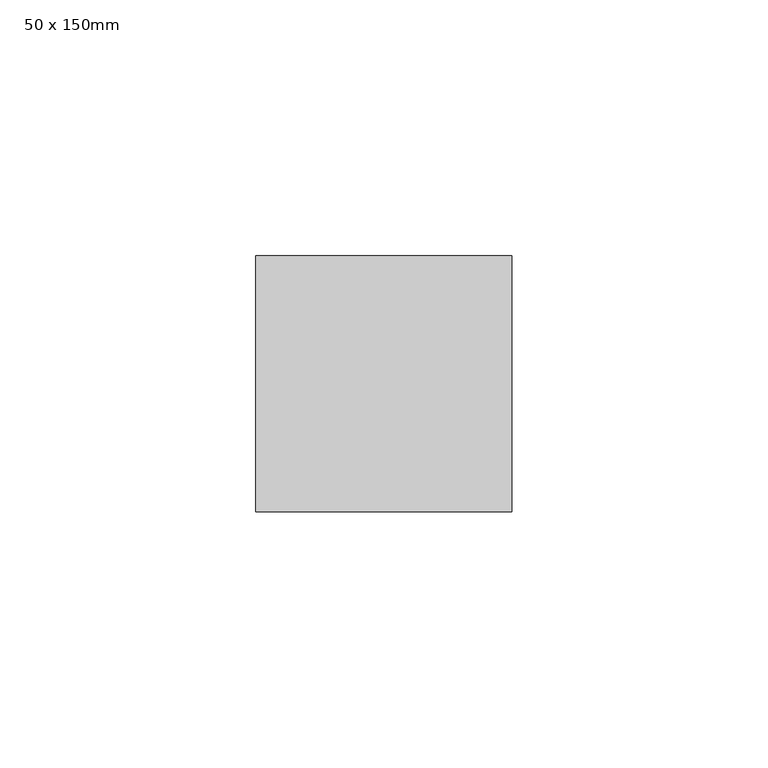
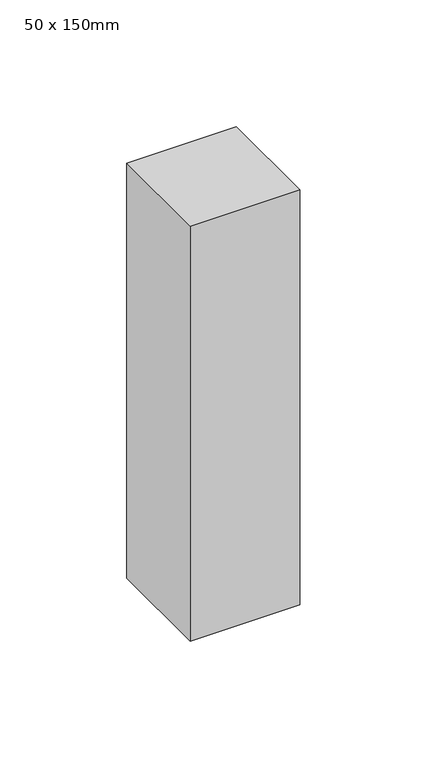
"""IFC4 building model written with IfcOpenShell, lengths in millimetres: member geometry, 50 x 150mm."""

import ifcopenshell
import ifcopenshell.guid

model = None  # the IFC model being written
_history = None  # IfcOwnerHistory: only IFC2X3 demands one
_inside = {}  # id of a spatial element -> (the spatial element, [elements in it])
_under = {}  # id of a project, library or spatial element -> (it, [spatial elements below it])
_declared = {}  # id of a project -> (the project, [libraries it declares])
_typed = {}  # id of a type object -> (the type object, [elements of that type])
_made_of = {}  # id of a material, layer set ... -> (it, [elements and type objects made of it])


def new_model(schema):
    """Start an empty IFC model of exactly this schema.

    Asked for "IFC4X3", IfcOpenShell would pick the latest addendum, in which some entities
    have other attributes; the version numbers below select the first issue.
    IFC2X3 requires an IfcOwnerHistory on every rooted entity: one is made here for all.
    """
    global model, _history
    if schema == "IFC4X3":
        model = ifcopenshell.file(schema_version=(4, 3, 0, 0))
    else:
        model = ifcopenshell.file(schema=schema)
    _inside.clear()
    _under.clear()
    _declared.clear()
    _typed.clear()
    _made_of.clear()
    _history = None
    if model.schema == "IFC2X3":
        org = make("IfcOrganization", Name="unknown")
        user = make(
            "IfcPersonAndOrganization",
            ThePerson=make("IfcPerson", FamilyName="unknown"),
            TheOrganization=org,
        )
        app = make(
            "IfcApplication",
            ApplicationDeveloper=org,
            Version="unknown",
            ApplicationFullName="unknown",
            ApplicationIdentifier="unknown",
        )
        _history = make(
            "IfcOwnerHistory",
            OwningUser=user,
            OwningApplication=app,
            ChangeAction="ADDED",
            CreationDate=0,
        )
    return model


def make(cls, **values):
    """One entity of the class cls with the attributes given. An attribute that is None is left unset."""
    return model.create_entity(
        cls, **{name: value for name, value in values.items() if value is not None}
    )


def rooted(cls, **values):
    """An entity with a GlobalId (a new one), such as an element, a storey or a relation."""
    return make(cls, GlobalId=ifcopenshell.guid.new(), OwnerHistory=_history, **values)


def si_unit(unit_type, name, prefix=None):
    """IfcSIUnit, for example si_unit("LENGTHUNIT", "METRE", prefix="MILLI")."""
    return make("IfcSIUnit", UnitType=unit_type, Prefix=prefix, Name=name)


def assignment(units):
    """IfcUnitAssignment: the units of a project."""
    return None if units is None else make("IfcUnitAssignment", Units=units)


def point(xyz):
    """IfcCartesianPoint."""
    return None if xyz is None else make("IfcCartesianPoint", Coordinates=xyz)


def direction(xyz):
    """IfcDirection."""
    return None if xyz is None else make("IfcDirection", DirectionRatios=xyz)


def frame(location, z_axis=None, x_axis=None):
    """IfcAxis2Placement3D, a coordinate frame: its origin and axes. An axis left out is left unset."""
    return make(
        "IfcAxis2Placement3D",
        Location=point(location),
        Axis=direction(z_axis),
        RefDirection=direction(x_axis),
    )


def origin():
    """The frame at (0, 0, 0) with its axes left unset."""
    return frame((0.0, 0.0, 0.0))


def place(relative_to, where):
    """IfcLocalPlacement: puts the frame where relative to a parent placement (None: the world)."""
    return make(
        "IfcLocalPlacement", PlacementRelTo=relative_to, RelativePlacement=where
    )


def context(
    kind, dimensions, precision=None, world=None, true_north=None, identifier=None
):
    """IfcGeometricRepresentationContext, for example the 3D "Model" context."""
    return make(
        "IfcGeometricRepresentationContext",
        ContextIdentifier=identifier,
        ContextType=kind,
        CoordinateSpaceDimension=dimensions,
        Precision=precision,
        WorldCoordinateSystem=world,
        TrueNorth=true_north,
    )


def project(units=None, contexts=None):
    """IfcProject with its units and contexts."""
    return rooted(
        "IfcProject",
        Name="project",
        RepresentationContexts=contexts,
        UnitsInContext=assignment(units),
    )


def spatial(cls, under=None, at=None, **own):
    """A site, building, storey or space (cls), placed at a placement, below another one or the project."""
    s = rooted(cls, ObjectPlacement=at, **own)
    if under is not None:
        _under.setdefault(under.id(), (under, []))[1].append(s)
    return s


def polyline(points):
    """IfcPolyline through the points."""
    return make("IfcPolyline", Points=[point(p) for p in points])


def outline(outer, holes=None, kind="AREA"):
    """IfcArbitraryClosedProfileDef: a profile drawn as a closed curve; with holes, ...WithVoids."""
    if holes is None:
        return make("IfcArbitraryClosedProfileDef", ProfileType=kind, OuterCurve=outer)
    return make(
        "IfcArbitraryProfileDefWithVoids",
        ProfileType=kind,
        OuterCurve=outer,
        InnerCurves=holes,
    )


def extrude(swept, where, along, depth):
    """IfcExtrudedAreaSolid: the profile swept, set in the frame where, extruded along a direction by depth."""
    return make(
        "IfcExtrudedAreaSolid",
        SweptArea=swept,
        Position=where,
        ExtrudedDirection=direction(along),
        Depth=depth,
    )


def shape(context_of_items, identifier, shape_type, items):
    """IfcShapeRepresentation: the items that make up one representation, for example the "Body"."""
    return make(
        "IfcShapeRepresentation",
        ContextOfItems=context_of_items,
        RepresentationIdentifier=identifier,
        RepresentationType=shape_type,
        Items=items,
    )


def source(mapping_origin, context_of_items, identifier, shape_type, items):
    """IfcRepresentationMap: a shape defined once, which mapped items show again and again."""
    return make(
        "IfcRepresentationMap",
        MappingOrigin=mapping_origin,
        MappedRepresentation=shape(context_of_items, identifier, shape_type, items),
    )


def transform(
    local_origin,
    x_axis=None,
    y_axis=None,
    z_axis=None,
    scale=None,
    scale2=None,
    scale3=None,
    uniform=True,
):
    """IfcCartesianTransformationOperator3D, or its non-uniform kind. x_axis, y_axis, z_axis: its Axis1, 2, 3."""
    if uniform:
        return make(
            "IfcCartesianTransformationOperator3D",
            Axis1=direction(x_axis),
            Axis2=direction(y_axis),
            LocalOrigin=point(local_origin),
            Scale=scale,
            Axis3=direction(z_axis),
        )
    return make(
        "IfcCartesianTransformationOperator3DnonUniform",
        Axis1=direction(x_axis),
        Axis2=direction(y_axis),
        LocalOrigin=point(local_origin),
        Scale=scale,
        Axis3=direction(z_axis),
        Scale2=scale2,
        Scale3=scale3,
    )


def mapped(mapping_source, mapping_target):
    """IfcMappedItem: shows the shape of a source again, moved by a transform."""
    return make(
        "IfcMappedItem", MappingSource=mapping_source, MappingTarget=mapping_target
    )


def made_of(thing, what):
    """Note that an element or type object is made of a material, layer set ...; save() writes the relation."""
    if what is not None:
        _made_of.setdefault(what.id(), (what, []))[1].append(thing)
    return thing


def element(
    cls,
    number,
    at=None,
    inside=None,
    cuts=None,
    type_object=None,
    material=None,
    context=None,
    identifier="Body",
    shape_type=None,
    held_by="IfcProductDefinitionShape",
    body=None,
    shapes=None,
    **own,
):
    """One element of the class cls, such as IfcWall. Its Tag is "e" and its number.

    at: its placement. inside: the storey or other place that contains it. cuts: it is an
    opening in that element (IfcRelVoidsElement). A single representation is given by context,
    identifier, shape_type and body (its items); several are given by shapes. held_by: the class
    of the entity that holds the representations. save() writes the other relations.
    """
    e = rooted(cls, Tag="e%d" % number, ObjectPlacement=at, **own)
    if body is not None:
        shapes = [shape(context, identifier, shape_type, body)]
    if shapes is not None:
        e.Representation = make(held_by, Representations=shapes)
    if inside is not None:
        _inside.setdefault(inside.id(), (inside, []))[1].append(e)
    if cuts is not None:
        rooted(
            "IfcRelVoidsElement", RelatingBuildingElement=cuts, RelatedOpeningElement=e
        )
    if type_object is not None:
        _typed.setdefault(type_object.id(), (type_object, []))[1].append(e)
    return made_of(e, material)


def aggregate(whole, parts):
    """IfcRelAggregates: a whole, such as a stair, and the parts it consists of."""
    return rooted("IfcRelAggregates", RelatingObject=whole, RelatedObjects=parts)


def save(model, path):
    """Write the relations noted so far, then the file.

    IfcRelAggregates (storeys below a building ...), IfcRelContainedInSpatialStructure (elements
    in a storey), IfcRelDefinesByType, IfcRelAssociatesMaterial and IfcRelDeclares: one each for
    every whole, place, type object, material and project.
    """
    for whole, parts in _under.values():
        aggregate(whole, parts)
    for where, things in _inside.values():
        rooted(
            "IfcRelContainedInSpatialStructure",
            RelatedElements=things,
            RelatingStructure=where,
        )
    for kind, things in _typed.values():
        rooted("IfcRelDefinesByType", RelatedObjects=things, RelatingType=kind)
    for what, things in _made_of.values():
        rooted("IfcRelAssociatesMaterial", RelatedObjects=things, RelatingMaterial=what)
    for by, libraries in _declared.values():
        rooted("IfcRelDeclares", RelatingContext=by, RelatedDefinitions=libraries)
    model.write(path)


def member_50_x_150mm_706a2056(model_context):
    return source(origin(), model_context, "Body", "SweptSolid", [
        extrude(outline(polyline([(25.0, 25.0), (25.0, -25.0), (-25.0, -25.0), (-25.0, 25.0), (25.0, 25.0)])), frame((0.0, 0.0, -200.0), z_axis=(0.0, 0.0, 1.0), x_axis=(1.0, 0.0, 0.0)), (0.0, 0.0, 1.0), 200.0),
    ])


if __name__ == "__main__":
    model = new_model("IFC4")
    model_context = context("Model", 3, world=origin())
    ifc_project = project(units=[si_unit("LENGTHUNIT", "METRE", prefix="MILLI")], contexts=[model_context])
    site = spatial("IfcSite", under=ifc_project)
    building = spatial("IfcBuilding", under=site)
    placement = place(None, origin())
    member_50_x_150mm_shape = member_50_x_150mm_706a2056(model_context)
    element("IfcMember", 1, ObjectType="50 x 150mm", at=placement, inside=building, context=model_context, shape_type="MappedRepresentation", body=[
        mapped(member_50_x_150mm_shape, transform((0.0, 0.0, 0.0), x_axis=(1.0, 0.0, 0.0), y_axis=(0.0, 1.0, 0.0), z_axis=(0.0, 0.0, 1.0))),
    ])
    save(model, "model.ifc")
